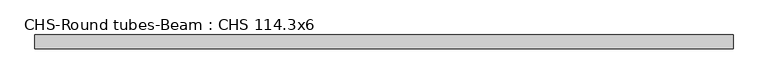
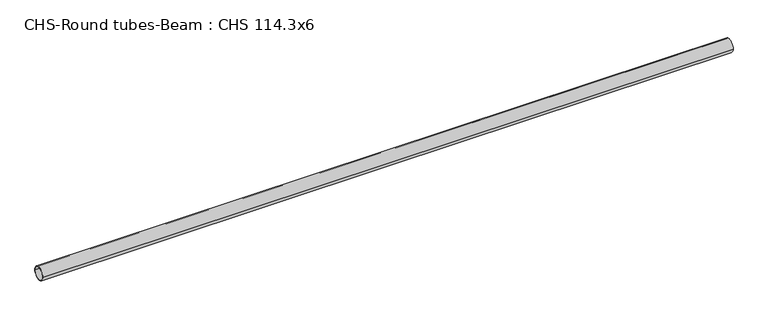
"""IFC4 building model written with IfcOpenShell, lengths in millimetres: beam geometry, CHS-Round tubes-Beam : CHS 114.3x6."""

import ifcopenshell
import ifcopenshell.guid

model = None  # the IFC model being written
_history = None  # IfcOwnerHistory: only IFC2X3 demands one
_inside = {}  # id of a spatial element -> (the spatial element, [elements in it])
_under = {}  # id of a project, library or spatial element -> (it, [spatial elements below it])
_declared = {}  # id of a project -> (the project, [libraries it declares])
_typed = {}  # id of a type object -> (the type object, [elements of that type])
_made_of = {}  # id of a material, layer set ... -> (it, [elements and type objects made of it])


def new_model(schema):
    """Start an empty IFC model of exactly this schema.

    Asked for "IFC4X3", IfcOpenShell would pick the latest addendum, in which some entities
    have other attributes; the version numbers below select the first issue.
    IFC2X3 requires an IfcOwnerHistory on every rooted entity: one is made here for all.
    """
    global model, _history
    if schema == "IFC4X3":
        model = ifcopenshell.file(schema_version=(4, 3, 0, 0))
    else:
        model = ifcopenshell.file(schema=schema)
    _inside.clear()
    _under.clear()
    _declared.clear()
    _typed.clear()
    _made_of.clear()
    _history = None
    if model.schema == "IFC2X3":
        org = make("IfcOrganization", Name="unknown")
        user = make(
            "IfcPersonAndOrganization",
            ThePerson=make("IfcPerson", FamilyName="unknown"),
            TheOrganization=org,
        )
        app = make(
            "IfcApplication",
            ApplicationDeveloper=org,
            Version="unknown",
            ApplicationFullName="unknown",
            ApplicationIdentifier="unknown",
        )
        _history = make(
            "IfcOwnerHistory",
            OwningUser=user,
            OwningApplication=app,
            ChangeAction="ADDED",
            CreationDate=0,
        )
    return model


def make(cls, **values):
    """One entity of the class cls with the attributes given. An attribute that is None is left unset."""
    return model.create_entity(
        cls, **{name: value for name, value in values.items() if value is not None}
    )


def rooted(cls, **values):
    """An entity with a GlobalId (a new one), such as an element, a storey or a relation."""
    return make(cls, GlobalId=ifcopenshell.guid.new(), OwnerHistory=_history, **values)


def si_unit(unit_type, name, prefix=None):
    """IfcSIUnit, for example si_unit("LENGTHUNIT", "METRE", prefix="MILLI")."""
    return make("IfcSIUnit", UnitType=unit_type, Prefix=prefix, Name=name)


def assignment(units):
    """IfcUnitAssignment: the units of a project."""
    return None if units is None else make("IfcUnitAssignment", Units=units)


def point(xyz):
    """IfcCartesianPoint."""
    return None if xyz is None else make("IfcCartesianPoint", Coordinates=xyz)


def direction(xyz):
    """IfcDirection."""
    return None if xyz is None else make("IfcDirection", DirectionRatios=xyz)


def frame(location, z_axis=None, x_axis=None):
    """IfcAxis2Placement3D, a coordinate frame: its origin and axes. An axis left out is left unset."""
    return make(
        "IfcAxis2Placement3D",
        Location=point(location),
        Axis=direction(z_axis),
        RefDirection=direction(x_axis),
    )


def frame_2d(location, x_axis=None):
    """IfcAxis2Placement2D, a coordinate frame in the plane: its origin and x axis."""
    return make(
        "IfcAxis2Placement2D", Location=point(location), RefDirection=direction(x_axis)
    )


def origin():
    """The frame at (0, 0, 0) with its axes left unset."""
    return frame((0.0, 0.0, 0.0))


def origin_2d():
    """The frame at (0, 0) in the plane with its x axis left unset."""
    return frame_2d((0.0, 0.0))


def place(relative_to, where):
    """IfcLocalPlacement: puts the frame where relative to a parent placement (None: the world)."""
    return make(
        "IfcLocalPlacement", PlacementRelTo=relative_to, RelativePlacement=where
    )


def context(
    kind, dimensions, precision=None, world=None, true_north=None, identifier=None
):
    """IfcGeometricRepresentationContext, for example the 3D "Model" context."""
    return make(
        "IfcGeometricRepresentationContext",
        ContextIdentifier=identifier,
        ContextType=kind,
        CoordinateSpaceDimension=dimensions,
        Precision=precision,
        WorldCoordinateSystem=world,
        TrueNorth=true_north,
    )


def project(units=None, contexts=None):
    """IfcProject with its units and contexts."""
    return rooted(
        "IfcProject",
        Name="project",
        RepresentationContexts=contexts,
        UnitsInContext=assignment(units),
    )


def spatial(cls, under=None, at=None, **own):
    """A site, building, storey or space (cls), placed at a placement, below another one or the project."""
    s = rooted(cls, ObjectPlacement=at, **own)
    if under is not None:
        _under.setdefault(under.id(), (under, []))[1].append(s)
    return s


def circle_curve(where, radius):
    """IfcCircle in the frame where."""
    return make("IfcCircle", Position=where, Radius=radius)


def trimmed(basis, trim1, trim2, sense, master):
    """IfcTrimmedCurve: the piece of a basis curve between two trims."""
    return make(
        "IfcTrimmedCurve",
        BasisCurve=basis,
        Trim1=trim1,
        Trim2=trim2,
        SenseAgreement=sense,
        MasterRepresentation=master,
    )


def segment(curve, same_sense, transition):
    """IfcCompositeCurveSegment."""
    return make(
        "IfcCompositeCurveSegment",
        Transition=transition,
        SameSense=same_sense,
        ParentCurve=curve,
    )


def composite_curve(segments, self_intersect=None):
    """IfcCompositeCurve: segments joined end to end."""
    return make("IfcCompositeCurve", Segments=segments, SelfIntersect=self_intersect)


def outline(outer, holes=None, kind="AREA"):
    """IfcArbitraryClosedProfileDef: a profile drawn as a closed curve; with holes, ...WithVoids."""
    if holes is None:
        return make("IfcArbitraryClosedProfileDef", ProfileType=kind, OuterCurve=outer)
    return make(
        "IfcArbitraryProfileDefWithVoids",
        ProfileType=kind,
        OuterCurve=outer,
        InnerCurves=holes,
    )


def extrude(swept, where, along, depth):
    """IfcExtrudedAreaSolid: the profile swept, set in the frame where, extruded along a direction by depth."""
    return make(
        "IfcExtrudedAreaSolid",
        SweptArea=swept,
        Position=where,
        ExtrudedDirection=direction(along),
        Depth=depth,
    )


def shape(context_of_items, identifier, shape_type, items):
    """IfcShapeRepresentation: the items that make up one representation, for example the "Body"."""
    return make(
        "IfcShapeRepresentation",
        ContextOfItems=context_of_items,
        RepresentationIdentifier=identifier,
        RepresentationType=shape_type,
        Items=items,
    )


def source(mapping_origin, context_of_items, identifier, shape_type, items):
    """IfcRepresentationMap: a shape defined once, which mapped items show again and again."""
    return make(
        "IfcRepresentationMap",
        MappingOrigin=mapping_origin,
        MappedRepresentation=shape(context_of_items, identifier, shape_type, items),
    )


def transform(
    local_origin,
    x_axis=None,
    y_axis=None,
    z_axis=None,
    scale=None,
    scale2=None,
    scale3=None,
    uniform=True,
):
    """IfcCartesianTransformationOperator3D, or its non-uniform kind. x_axis, y_axis, z_axis: its Axis1, 2, 3."""
    if uniform:
        return make(
            "IfcCartesianTransformationOperator3D",
            Axis1=direction(x_axis),
            Axis2=direction(y_axis),
            LocalOrigin=point(local_origin),
            Scale=scale,
            Axis3=direction(z_axis),
        )
    return make(
        "IfcCartesianTransformationOperator3DnonUniform",
        Axis1=direction(x_axis),
        Axis2=direction(y_axis),
        LocalOrigin=point(local_origin),
        Scale=scale,
        Axis3=direction(z_axis),
        Scale2=scale2,
        Scale3=scale3,
    )


def mapped(mapping_source, mapping_target):
    """IfcMappedItem: shows the shape of a source again, moved by a transform."""
    return make(
        "IfcMappedItem", MappingSource=mapping_source, MappingTarget=mapping_target
    )


def made_of(thing, what):
    """Note that an element or type object is made of a material, layer set ...; save() writes the relation."""
    if what is not None:
        _made_of.setdefault(what.id(), (what, []))[1].append(thing)
    return thing


def element(
    cls,
    number,
    at=None,
    inside=None,
    cuts=None,
    type_object=None,
    material=None,
    context=None,
    identifier="Body",
    shape_type=None,
    held_by="IfcProductDefinitionShape",
    body=None,
    shapes=None,
    **own,
):
    """One element of the class cls, such as IfcWall. Its Tag is "e" and its number.

    at: its placement. inside: the storey or other place that contains it. cuts: it is an
    opening in that element (IfcRelVoidsElement). A single representation is given by context,
    identifier, shape_type and body (its items); several are given by shapes. held_by: the class
    of the entity that holds the representations. save() writes the other relations.
    """
    e = rooted(cls, Tag="e%d" % number, ObjectPlacement=at, **own)
    if body is not None:
        shapes = [shape(context, identifier, shape_type, body)]
    if shapes is not None:
        e.Representation = make(held_by, Representations=shapes)
    if inside is not None:
        _inside.setdefault(inside.id(), (inside, []))[1].append(e)
    if cuts is not None:
        rooted(
            "IfcRelVoidsElement", RelatingBuildingElement=cuts, RelatedOpeningElement=e
        )
    if type_object is not None:
        _typed.setdefault(type_object.id(), (type_object, []))[1].append(e)
    return made_of(e, material)


def aggregate(whole, parts):
    """IfcRelAggregates: a whole, such as a stair, and the parts it consists of."""
    return rooted("IfcRelAggregates", RelatingObject=whole, RelatedObjects=parts)


def save(model, path):
    """Write the relations noted so far, then the file.

    IfcRelAggregates (storeys below a building ...), IfcRelContainedInSpatialStructure (elements
    in a storey), IfcRelDefinesByType, IfcRelAssociatesMaterial and IfcRelDeclares: one each for
    every whole, place, type object, material and project.
    """
    for whole, parts in _under.values():
        aggregate(whole, parts)
    for where, things in _inside.values():
        rooted(
            "IfcRelContainedInSpatialStructure",
            RelatedElements=things,
            RelatingStructure=where,
        )
    for kind, things in _typed.values():
        rooted("IfcRelDefinesByType", RelatedObjects=things, RelatingType=kind)
    for what, things in _made_of.values():
        rooted("IfcRelAssociatesMaterial", RelatedObjects=things, RelatingMaterial=what)
    for by, libraries in _declared.values():
        rooted("IfcRelDeclares", RelatingContext=by, RelatedDefinitions=libraries)
    model.write(path)


def chs_round_tubes_beam_chs_114_3x6_c4b61d8d(model_context):
    return source(origin(), model_context, "Body", "SweptSolid", [
        extrude(outline(composite_curve([segment(trimmed(circle_curve(origin_2d(), 57.15), [point((57.15, 0.0))], [point((-57.15, 0.0))], False, "CARTESIAN"), True, "CONTINUOUS"), segment(trimmed(circle_curve(origin_2d(), 57.15), [point((-57.15, 0.0))], [point((57.15, 0.0))], False, "CARTESIAN"), True, "CONTINUOUS")], self_intersect=False), holes=[composite_curve([segment(trimmed(circle_curve(origin_2d(), 51.15), [point((51.15, 0.0))], [point((-51.15, 0.0))], True, "CARTESIAN"), True, "CONTINUOUS"), segment(trimmed(circle_curve(origin_2d(), 51.15), [point((-51.15, 0.0))], [point((51.15, 0.0))], True, "CARTESIAN"), True, "CONTINUOUS")], self_intersect=False)]), frame((-3094.8443987, 0.0, 0.0), z_axis=(1.0, 0.0, 0.0), x_axis=(0.0, 1.0, 0.0)), (0.0, 0.0, 1.0), 5830.6128662),
    ])


if __name__ == "__main__":
    model = new_model("IFC4")
    model_context = context("Model", 3, world=origin())
    ifc_project = project(units=[si_unit("LENGTHUNIT", "METRE", prefix="MILLI")], contexts=[model_context])
    site = spatial("IfcSite", under=ifc_project)
    building = spatial("IfcBuilding", under=site)
    placement = place(None, origin())
    chs_round_tubes_beam_chs_114_3x6_shape = chs_round_tubes_beam_chs_114_3x6_c4b61d8d(model_context)
    element("IfcBeam", 1, ObjectType="CHS-Round tubes-Beam : CHS 114.3x6", at=placement, inside=building, context=model_context, shape_type="MappedRepresentation", body=[
        mapped(chs_round_tubes_beam_chs_114_3x6_shape, transform((0.0, 0.0, 0.0), x_axis=(1.0, 0.0, 0.0), y_axis=(0.0, 1.0, 0.0), z_axis=(0.0, 0.0, 1.0))),
    ])
    save(model, "model.ifc")
